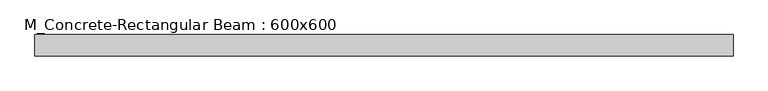
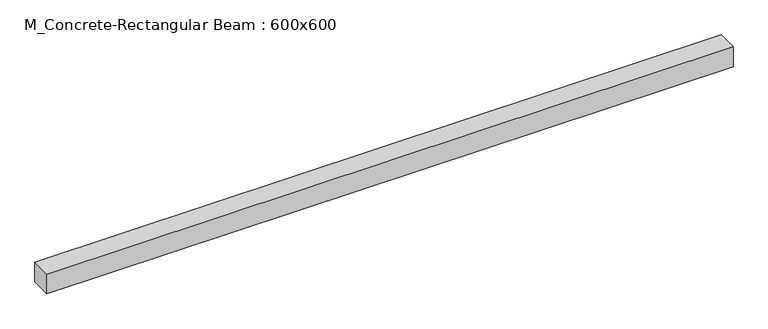
"""IFC4 building model written with IfcOpenShell, lengths in millimetres: beam geometry, M_Concrete-Rectangular Beam : 600x600."""

from ifc_helpers import new_model, si_unit, frame, origin, place, context, project, spatial, polyline, outline, extrude, source, transform, mapped, element, save


def m_concrete_rectangular_beam_600x600_43b3e8dc(model_context):
    return source(origin(), model_context, "Body", "SweptSolid", [
        extrude(outline(polyline([(9850.0, 300.0), (9850.0, -300.0), (-9850.0, -300.0), (-9850.0, 300.0), (9850.0, 300.0)])), frame((0.0, 0.0, -300.0), z_axis=(0.0, 0.0, 1.0), x_axis=(1.0, 0.0, 0.0)), (0.0, 0.0, 1.0), 600.0),
    ])


if __name__ == "__main__":
    model = new_model("IFC4")
    model_context = context("Model", 3, world=origin())
    ifc_project = project(units=[si_unit("LENGTHUNIT", "METRE", prefix="MILLI")], contexts=[model_context])
    site = spatial("IfcSite", under=ifc_project)
    building = spatial("IfcBuilding", under=site)
    placement = place(None, origin())
    m_concrete_rectangular_beam_600x600_shape = m_concrete_rectangular_beam_600x600_43b3e8dc(model_context)
    element("IfcBeam", 1, ObjectType="M_Concrete-Rectangular Beam : 600x600", at=placement, inside=building, context=model_context, shape_type="MappedRepresentation", body=[
        mapped(m_concrete_rectangular_beam_600x600_shape, transform((0.0, 0.0, 0.0), x_axis=(1.0, 0.0, 0.0), y_axis=(0.0, 1.0, 0.0), z_axis=(0.0, 0.0, 1.0))),
    ])
    save(model, "model.ifc")
